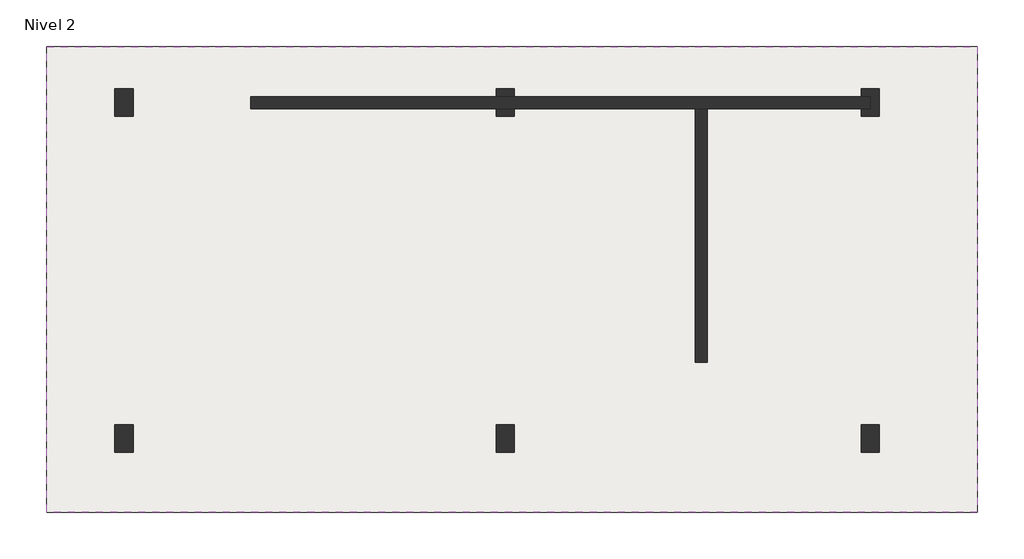
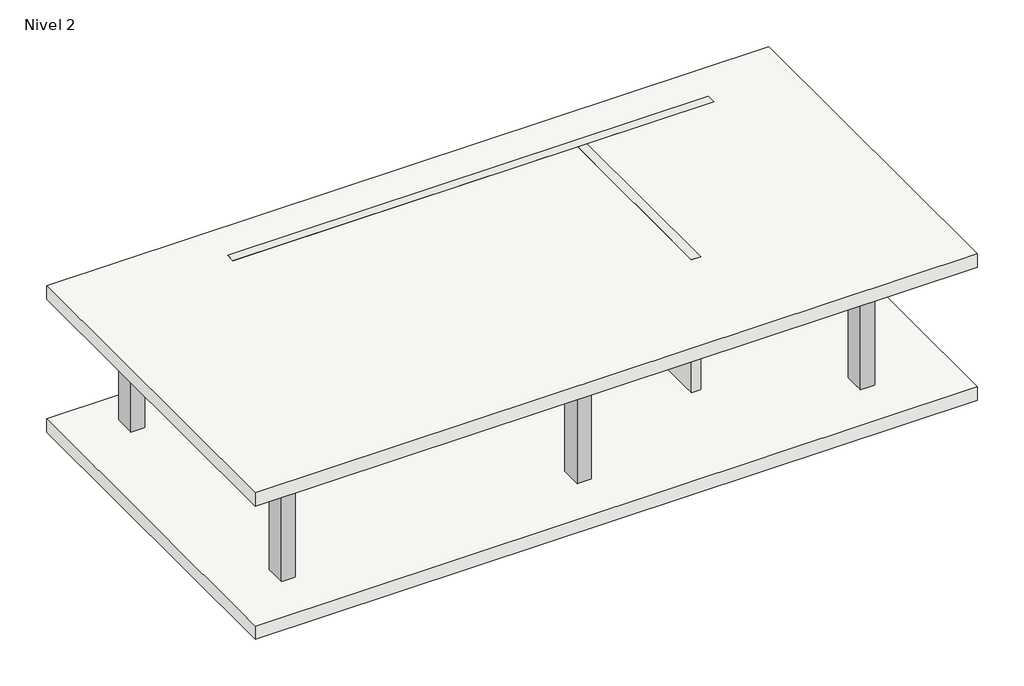
# One storey: 6 columns, 5 beams, 2 slabs, 2 walls.
"""IFC4 building model written with IfcOpenShell, lengths in millimetres."""

from ifc_helpers import new_model, si_unit, frame, origin, place, context, project, spatial, polyline, outline, extrude, faceted_brep, element, save

model = new_model("IFC4")

# Units and contexts
model_context = context("Model", 3, world=origin())
ifc_project = project(units=[si_unit("LENGTHUNIT", "METRE", prefix="MILLI")], contexts=[model_context])

# Site, building, storey
site = spatial("IfcSite", under=ifc_project)
building = spatial("IfcBuilding", under=site)
storey = spatial("IfcBuildingStorey", under=building, Name="Nivel 2", Elevation=3000.0)

# Beams
placement = place(None, origin())
element("IfcBeam", 1, ObjectType="400 x 800mm", at=placement, inside=storey, context=model_context, shape_type="Brep", body=[
    faceted_brep([(-1136.3138538, 7565.1775531, 2700.0), (-1136.3138538, 7465.1775531, 2700.0), (-1136.3138538, 7465.1775531, 2200.0), (-1136.3138538, 7565.1775531, 2200.0), (-6816.0531967, 7165.1775531, 2200.0), (-6816.0531967, 7265.1775531, 2200.0), (-3823.6138538, 7265.1775531, 2200.0), (-3823.6138538, 7165.1775531, 2200.0), (-6766.0531967, 7165.1775531, 2200.0), (-13120.5620197, 7565.1775531, 2200.0), (-13120.5620197, 7565.1775531, 2500.0), (-13420.5620197, 7565.1775531, 2500.0), (-13420.5620197, 7565.1775531, 2200.0), (-13470.5620197, 7565.1775531, 2200.0), (-13470.5620197, 7565.1775531, 2700.0), (-6816.0531967, 7565.1775531, 2200.0), (-6816.0531967, 7565.1775531, 2500.0), (-7116.0531967, 7565.1775531, 2500.0), (-7116.0531967, 7565.1775531, 2200.0), (-13120.5620197, 7165.1775531, 2500.0), (-13120.5620197, 7165.1775531, 2200.0), (-6816.0531967, 7165.1775531, 2500.0), (-6816.0531967, 7265.1775531, 2500.0), (-7116.0531967, 7465.1775531, 2500.0), (-7116.0531967, 7465.1775531, 2200.0), (-13420.5620197, 7165.1775531, 2500.0), (-6816.0531967, 7465.1775531, 2500.0), (-13470.5620197, 7165.1775531, 2700.0), (-13070.5620197, 7165.1775531, 2700.0), (-7166.0531967, 7165.1775531, 2700.0), (-6766.0531967, 7165.1775531, 2700.0), (-3823.6138538, 7165.1775531, 2700.0), (-3823.6138538, 7265.1775531, 2700.0), (-11170.5620197, 7265.1775531, 2700.0), (-11170.5620197, 7465.1775531, 2700.0), (-13470.5620197, 7165.1775531, 2200.0), (-13420.5620197, 7165.1775531, 2200.0), (-11170.5620197, 7465.1775531, 2200.0), (-11170.5620197, 7265.1775531, 2200.0), (-7116.0531967, 7265.1775531, 2200.0), (-7116.0531967, 7165.1775531, 2200.0), (-7166.0531967, 7165.1775531, 2200.0), (-13070.5620197, 7165.1775531, 2200.0), (-7116.0531967, 7265.1775531, 2500.0), (-6816.0531967, 7465.1775531, 2200.0), (-7116.0531967, 7165.1775531, 2500.0)], [[[0, 1, 2, 3]], [[4, 5, 6, 7, 8]], [[9, 10, 11, 12, 13, 14, 0, 3, 15, 16, 17, 18]], [[19, 10, 9, 20]], [[4, 21, 22, 5]], [[18, 17, 23, 24]], [[10, 19, 25, 11]], [[17, 16, 26, 23]], [[0, 14, 27, 28, 29, 30, 31, 32, 33, 34, 1]], [[13, 35, 27, 14]], [[11, 25, 36, 12]], [[35, 13, 12, 36]], [[20, 9, 18, 24, 37, 38, 39, 40, 41, 42]], [[38, 33, 32, 6, 5, 22, 43, 39]], [[34, 37, 24, 23, 26, 44, 2, 1]], [[33, 38, 37, 34]], [[44, 15, 3, 2]], [[16, 15, 44, 26]], [[45, 40, 39, 43]], [[21, 45, 43, 22]], [[31, 7, 6, 32]], [[19, 20, 42, 41, 40, 45, 21, 4, 8, 7, 31, 30, 29, 28, 27, 35, 36, 25]]]),
    faceted_brep([(-1136.3138538, 7165.1775531, 2200.0), (-1136.3138538, 7165.1775531, 2700.0), (-3623.6138538, 7165.1775531, 2700.0), (-3623.6138538, 7165.1775531, 2200.0), (-1136.3138538, 7265.1775531, 2700.0), (-1136.3138538, 7265.1775531, 2200.0), (-3623.6138538, 7265.1775531, 2700.0), (-3623.6138538, 7265.1775531, 2200.0)], [[[0, 1, 2, 3]], [[4, 1, 0, 5]], [[3, 2, 6, 7]], [[5, 0, 3, 7]], [[1, 4, 6, 2]], [[4, 5, 7, 6]]]),
])
element("IfcBeam", 2, ObjectType="400 x 800mm", at=placement, inside=storey, context=model_context, shape_type="Brep", body=[
    faceted_brep([(-723.6138538, 7252.4775531, 2200.0), (-773.6138538, 7252.4775531, 2200.0), (-773.6138538, 7252.4775531, 2500.0), (-1073.6138538, 7252.4775531, 2500.0), (-1073.6138538, 7252.4775531, 2200.0), (-1123.6138538, 7252.4775531, 2200.0), (-1123.6138538, 7252.4775531, 2700.0), (-723.6138538, 7252.4775531, 2700.0), (-1123.6138538, 1609.0508784, 2200.0), (-1123.6138538, 1609.0508784, 2700.0), (-773.6138538, 7140.1775531, 2200.0), (-723.6138538, 1609.0508784, 2200.0), (-773.6138538, 1609.0508784, 2200.0), (-773.6138538, 2034.0508784, 2200.0), (-1073.6138538, 2034.0508784, 2200.0), (-1073.6138538, 1609.0508784, 2200.0), (-1073.6138538, 7140.1775531, 2200.0), (-723.6138538, 1609.0508784, 2700.0), (-773.6138538, 7140.1775531, 2500.0), (-1073.6138538, 7140.1775531, 2500.0), (-773.6138538, 2034.0508784, 2500.0), (-773.6138538, 1609.0508784, 2500.0), (-1073.6138538, 2034.0508784, 2500.0), (-1073.6138538, 1609.0508784, 2500.0)], [[[0, 1, 2, 3, 4, 5, 6, 7]], [[5, 8, 9, 6]], [[10, 1, 0, 11, 12, 13, 14, 15, 8, 5, 4, 16]], [[11, 0, 7, 17]], [[10, 18, 2, 1]], [[19, 18, 10, 16]], [[19, 16, 4, 3]], [[20, 13, 12, 21]], [[14, 22, 23, 15]], [[20, 22, 14, 13]], [[18, 19, 3, 2]], [[22, 20, 21, 23]], [[7, 6, 9, 17]], [[12, 11, 17, 9, 8, 15, 23, 21]]]),
])
element("IfcBeam", 3, ObjectType="400 x 800mm", at=placement, inside=storey, context=model_context, shape_type="SweptSolid", body=[
    extrude(outline(polyline([(2700.0, -13470.5620197), (2200.0, -13470.5620197), (2200.0, -7116.0531967), (2500.0, -7116.0531967), (2500.0, -6816.0531967), (2200.0, -6816.0531967), (2200.0, -1123.6138538), (2700.0, -1123.6138538), (2700.0, -13470.5620197)])), frame((0.0, 1609.0508784, 0.0), z_axis=(0.0, 1.0, 0.0), x_axis=(0.0, 0.0, 1.0)), (0.0, 0.0, 1.0), 400.0),
])
element("IfcBeam", 4, ObjectType="400 x 800mm", at=placement, inside=storey, context=model_context, shape_type="Brep", body=[
    faceted_brep([(-13070.5620197, 2009.0508784, 2200.0), (-13070.5620197, 7165.1775531, 2200.0), (-13070.5620197, 7165.1775531, 2700.0), (-13070.5620197, 2009.0508784, 2700.0), (-13120.5620197, 7165.1775531, 2200.0), (-13120.5620197, 2009.0508784, 2200.0), (-13120.5620197, 2034.0508784, 2200.0), (-13420.5620197, 2034.0508784, 2200.0), (-13420.5620197, 2009.0508784, 2200.0), (-13470.5620197, 2009.0508784, 2200.0), (-13470.5620197, 7165.1775531, 2200.0), (-13420.5620197, 7165.1775531, 2200.0), (-13420.5620197, 7140.1775531, 2200.0), (-13120.5620197, 7140.1775531, 2200.0), (-13470.5620197, 2009.0508784, 2700.0), (-13470.5620197, 7165.1775531, 2700.0), (-13120.5620197, 7165.1775531, 2500.0), (-13420.5620197, 7165.1775531, 2500.0), (-13420.5620197, 2009.0508784, 2500.0), (-13120.5620197, 2009.0508784, 2500.0), (-13120.5620197, 7140.1775531, 2500.0), (-13420.5620197, 7140.1775531, 2500.0), (-13120.5620197, 2034.0508784, 2500.0), (-13420.5620197, 2034.0508784, 2500.0)], [[[0, 1, 2, 3]], [[4, 1, 0, 5, 6, 7, 8, 9, 10, 11, 12, 13]], [[10, 9, 14, 15]], [[1, 4, 16, 17, 11, 10, 15, 2]], [[5, 0, 3, 14, 9, 8, 18, 19]], [[13, 20, 16, 4]], [[21, 20, 13, 12]], [[21, 12, 11, 17]], [[22, 6, 5, 19]], [[7, 23, 18, 8]], [[22, 23, 7, 6]], [[20, 21, 17, 16]], [[23, 22, 19, 18]], [[3, 2, 15, 14]]]),
])
element("IfcBeam", 5, ObjectType="400 x 800mm", at=placement, inside=storey, context=model_context, shape_type="Brep", body=[
    faceted_brep([(-7166.0531967, 7165.1775531, 2200.0), (-7166.0531967, 2009.0508784, 2200.0), (-7166.0531967, 2009.0508784, 2700.0), (-7166.0531967, 7165.1775531, 2700.0), (-6766.0531967, 2009.0508784, 2200.0), (-7116.0531967, 7165.1775531, 2200.0), (-7116.0531967, 7140.1775531, 2200.0), (-6816.0531967, 7140.1775531, 2200.0), (-6816.0531967, 7165.1775531, 2200.0), (-6766.0531967, 7165.1775531, 2200.0), (-6766.0531967, 7165.1775531, 2700.0), (-6766.0531967, 2009.0508784, 2700.0), (-6816.0531967, 7165.1775531, 2500.0), (-7116.0531967, 7165.1775531, 2500.0), (-6816.0531967, 7140.1775531, 2500.0), (-7116.0531967, 7140.1775531, 2500.0)], [[[0, 1, 2, 3]], [[4, 1, 0, 5, 6, 7, 8, 9]], [[4, 9, 10, 11]], [[9, 8, 12, 13, 5, 0, 3, 10]], [[1, 4, 11, 2]], [[7, 14, 12, 8]], [[15, 14, 7, 6]], [[15, 6, 5, 13]], [[14, 15, 13, 12]], [[3, 2, 11, 10]]]),
])

# Columns
element("IfcColumn", 6, ObjectType="300 x 450mm", at=placement, inside=storey, context=model_context, shape_type="Brep", body=[
    faceted_brep([(-13120.5620197, 7590.1775531, 3000.0), (-13120.5620197, 7140.1775531, 3000.0), (-13420.5620197, 7140.1775531, 3000.0), (-13420.5620197, 7590.1775531, 3000.0), (-13120.5620197, 7590.1775531, 5500.0), (-13120.5620197, 7565.1775531, 5500.0), (-13120.5620197, 7165.1775531, 5500.0), (-13120.5620197, 7140.1775531, 5500.0), (-13120.5620197, 7140.1775531, 5200.0), (-13420.5620197, 7140.1775531, 5500.0), (-13420.5620197, 7140.1775531, 5200.0), (-13420.5620197, 7165.1775531, 5500.0), (-13420.5620197, 7565.1775531, 5500.0), (-13420.5620197, 7590.1775531, 5500.0)], [[[0, 1, 2, 3]], [[4, 5, 6, 7, 8, 1, 0]], [[7, 9, 10, 2, 1, 8]], [[9, 11, 12, 13, 3, 2, 10]], [[13, 4, 0, 3]], [[4, 13, 12, 11, 9, 7, 6, 5]]]),
])
element("IfcColumn", 7, ObjectType="300 x 450mm", at=placement, inside=storey, context=model_context, shape_type="Brep", body=[
    faceted_brep([(-773.6138538, 7590.1775531, 3000.0), (-773.6138538, 7140.1775531, 3000.0), (-1073.6138538, 7140.1775531, 3000.0), (-1073.6138538, 7265.1775531, 3000.0), (-923.6138538, 7265.1775531, 3000.0), (-923.6138538, 7465.1775531, 3000.0), (-1073.6138538, 7465.1775531, 3000.0), (-1073.6138538, 7590.1775531, 3000.0), (-773.6138538, 7590.1775531, 5500.0), (-773.6138538, 7252.4775531, 5500.0), (-773.6138538, 7140.1775531, 5500.0), (-773.6138538, 7140.1775531, 5200.0), (-1073.6138538, 7140.1775531, 5500.0), (-1073.6138538, 7140.1775531, 5200.0), (-1073.6138538, 7590.1775531, 5500.0), (-1073.6138538, 7465.1775531, 5500.0), (-923.6138538, 7465.1775531, 5500.0), (-923.6138538, 7265.1775531, 5500.0), (-1073.6138538, 7265.1775531, 5500.0), (-1073.6138538, 7252.4775531, 5500.0)], [[[0, 1, 2, 3, 4, 5, 6, 7]], [[1, 0, 8, 9, 10, 11]], [[2, 1, 11, 10, 12, 13]], [[14, 7, 6, 15]], [[0, 7, 14, 8]], [[10, 9, 8, 14, 15, 16, 17, 18, 19, 12]], [[17, 4, 3, 18]], [[5, 16, 15, 6]], [[4, 17, 16, 5]], [[2, 13, 12, 19, 18, 3]]]),
])
element("IfcColumn", 8, ObjectType="300 x 450mm", at=placement, inside=storey, context=model_context, shape_type="Brep", body=[
    faceted_brep([(-773.6138538, 2034.0508784, 3000.0), (-773.6138538, 1584.0508784, 3000.0), (-1073.6138538, 1584.0508784, 3000.0), (-1073.6138538, 2034.0508784, 3000.0), (-773.6138538, 2034.0508784, 5500.0), (-773.6138538, 1609.0508784, 5500.0), (-773.6138538, 1584.0508784, 5500.0), (-773.6138538, 2034.0508784, 5200.0), (-1073.6138538, 1584.0508784, 5500.0), (-1073.6138538, 1609.0508784, 5500.0), (-1073.6138538, 2034.0508784, 5500.0), (-1073.6138538, 2034.0508784, 5200.0)], [[[0, 1, 2, 3]], [[4, 5, 6, 1, 0, 7]], [[6, 8, 2, 1]], [[8, 9, 10, 11, 3, 2]], [[10, 4, 7, 0, 3, 11]], [[4, 10, 9, 8, 6, 5]]]),
])
element("IfcColumn", 9, ObjectType="300 x 450mm", at=placement, inside=storey, context=model_context, shape_type="Brep", body=[
    faceted_brep([(-13120.5620197, 2034.0508784, 3000.0), (-13120.5620197, 1584.0508784, 3000.0), (-13420.5620197, 1584.0508784, 3000.0), (-13420.5620197, 2034.0508784, 3000.0), (-13120.5620197, 2034.0508784, 5500.0), (-13120.5620197, 2009.0508784, 5500.0), (-13120.5620197, 1584.0508784, 5500.0), (-13120.5620197, 2034.0508784, 5200.0), (-13420.5620197, 1584.0508784, 5500.0), (-13420.5620197, 2009.0508784, 5500.0), (-13420.5620197, 2034.0508784, 5500.0), (-13420.5620197, 2034.0508784, 5200.0)], [[[0, 1, 2, 3]], [[4, 5, 6, 1, 0, 7]], [[6, 8, 2, 1]], [[8, 9, 10, 11, 3, 2]], [[10, 4, 7, 0, 3, 11]], [[4, 10, 9, 8, 6, 5]]]),
])
element("IfcColumn", 10, ObjectType="300 x 450mm", at=placement, inside=storey, context=model_context, shape_type="Brep", body=[
    faceted_brep([(-7116.0531967, 7590.1775531, 3000.0), (-6816.0531967, 7590.1775531, 3000.0), (-6816.0531967, 7465.1775531, 3000.0), (-7116.0531967, 7465.1775531, 3000.0), (-7116.0531967, 7590.1775531, 5500.0), (-7116.0531967, 7465.1775531, 5200.0), (-7116.0531967, 7465.1775531, 5500.0), (-7116.0531967, 7565.1775531, 5500.0), (-6816.0531967, 7590.1775531, 5500.0), (-6816.0531967, 7465.1775531, 5200.0), (-6816.0531967, 7465.1775531, 5500.0), (-6816.0531967, 7565.1775531, 5500.0)], [[[0, 1, 2, 3]], [[4, 0, 3, 5, 6, 7]], [[1, 0, 4, 8]], [[3, 2, 9, 10, 6, 5]], [[1, 8, 11, 10, 9, 2]], [[8, 4, 7, 6, 10, 11]]]),
    faceted_brep([(-6816.0531967, 7140.1775531, 5500.0), (-6816.0531967, 7140.1775531, 5200.0), (-6816.0531967, 7140.1775531, 3000.0), (-6816.0531967, 7265.1775531, 3000.0), (-6816.0531967, 7265.1775531, 5200.0), (-6816.0531967, 7265.1775531, 5500.0), (-6816.0531967, 7165.1775531, 5500.0), (-7116.0531967, 7140.1775531, 3000.0), (-7116.0531967, 7140.1775531, 5500.0), (-7116.0531967, 7140.1775531, 5200.0), (-7116.0531967, 7265.1775531, 5500.0), (-7116.0531967, 7165.1775531, 5500.0), (-7116.0531967, 7265.1775531, 3000.0), (-7116.0531967, 7265.1775531, 5200.0)], [[[0, 1, 2, 3, 4, 5, 6]], [[7, 2, 1, 0, 8, 9]], [[8, 0, 6, 5, 10, 11]], [[3, 12, 13, 10, 5, 4]], [[2, 7, 12, 3]], [[7, 9, 8, 11, 10, 13, 12]]]),
])
element("IfcColumn", 11, ObjectType="300 x 450mm", at=placement, inside=storey, context=model_context, shape_type="Brep", body=[
    faceted_brep([(-6816.0531967, 2034.0508784, 3000.0), (-6816.0531967, 1584.0508784, 3000.0), (-7116.0531967, 1584.0508784, 3000.0), (-7116.0531967, 2034.0508784, 3000.0), (-6816.0531967, 2034.0508784, 5500.0), (-6816.0531967, 2009.0508784, 5500.0), (-6816.0531967, 1609.0508784, 5500.0), (-6816.0531967, 1584.0508784, 5500.0), (-7116.0531967, 1584.0508784, 5500.0), (-7116.0531967, 1609.0508784, 5500.0), (-7116.0531967, 2009.0508784, 5500.0), (-7116.0531967, 2034.0508784, 5500.0)], [[[0, 1, 2, 3]], [[4, 5, 6, 7, 1, 0]], [[7, 8, 2, 1]], [[8, 9, 10, 11, 3, 2]], [[11, 4, 0, 3]], [[4, 11, 10, 9, 8, 7, 6, 5]]]),
])

# Slabs
element("IfcSlab", 12, at=placement, inside=storey, context=model_context, shape_type="SweptSolid", body=[
    extrude(outline(polyline([(847.3778472, 8291.2684323), (847.3778472, 591.2684323), (-14552.6221528, 591.2684323), (-14552.6221528, 8291.2684323), (847.3778472, 8291.2684323)])), frame((0.0, 0.0, 2700.0), z_axis=(0.0, 0.0, 1.0), x_axis=(1.0, 0.0, 0.0)), (0.0, 0.0, 1.0), 300.0),
])
element("IfcSlab", 13, at=placement, inside=storey, context=model_context, shape_type="SweptSolid", body=[
    extrude(outline(polyline([(847.3778472, 8291.2684323), (847.3778472, 591.2684323), (-14552.6221528, 591.2684323), (-14552.6221528, 8291.2684323), (847.3778472, 8291.2684323)])), frame((0.0, 0.0, 5700.0), z_axis=(0.0, 0.0, 1.0), x_axis=(1.0, 0.0, 0.0)), (0.0, 0.0, 1.0), 300.0),
])

# Walls
element("IfcWall", 14, at=placement, inside=storey, context=model_context, shape_type="Brep", body=[
    faceted_brep([(-11170.5620197, 7265.1775531, 3000.0), (-7116.0531967, 7265.1775531, 3000.0), (-6816.0531967, 7265.1775531, 3000.0), (-3823.6138538, 7265.1775531, 3000.0), (-3623.6138538, 7265.1775531, 3000.0), (-1073.6138538, 7265.1775531, 3000.0), (-923.6138538, 7265.1775531, 3000.0), (-923.6138538, 7265.1775531, 5500.0), (-923.6138538, 7265.1775531, 6000.0), (-3623.6138538, 7265.1775531, 6000.0), (-3823.6138538, 7265.1775531, 6000.0), (-11170.5620197, 7265.1775531, 6000.0), (-11170.5620197, 7265.1775531, 5700.0), (-11170.5620197, 7265.1775531, 5200.0), (-11170.5620197, 7465.1775531, 3000.0), (-11170.5620197, 7465.1775531, 5200.0), (-11170.5620197, 7465.1775531, 5700.0), (-11170.5620197, 7465.1775531, 6000.0), (-923.6138538, 7465.1775531, 6000.0), (-923.6138538, 7465.1775531, 5500.0), (-923.6138538, 7465.1775531, 3000.0), (-1073.6138538, 7465.1775531, 3000.0), (-6816.0531967, 7465.1775531, 3000.0), (-7116.0531967, 7465.1775531, 3000.0)], [[[0, 1, 2, 3, 4, 5, 6, 7, 8, 9, 10, 11, 12, 13]], [[14, 15, 16, 17, 18, 19, 20, 21, 22, 23]], [[6, 5, 4, 3, 2, 1, 0, 14, 23, 22, 21, 20]], [[8, 7, 6, 20, 19, 18]], [[11, 10, 9, 8, 18, 17]], [[0, 13, 12, 11, 17, 16, 15, 14]]]),
])
element("IfcWall", 15, at=placement, inside=storey, context=model_context, shape_type="Brep", body=[
    faceted_brep([(-3823.6138538, 7265.1775531, 3000.0), (-3823.6138538, 3065.1775531, 3000.0), (-3823.6138538, 3065.1775531, 6000.0), (-3823.6138538, 7265.1775531, 6000.0), (-3823.6138538, 7265.1775531, 5700.0), (-3823.6138538, 7265.1775531, 5200.0), (-3623.6138538, 7265.1775531, 3000.0), (-3623.6138538, 7265.1775531, 5200.0), (-3623.6138538, 7265.1775531, 5700.0), (-3623.6138538, 7265.1775531, 6000.0), (-3623.6138538, 3065.1775531, 6000.0), (-3623.6138538, 3065.1775531, 3000.0)], [[[0, 1, 2, 3, 4, 5]], [[6, 7, 8, 9, 10, 11]], [[1, 0, 6, 11]], [[2, 1, 11, 10]], [[3, 2, 10, 9]], [[0, 5, 4, 3, 9, 8, 7, 6]]]),
])

save(model, "model.ifc")
